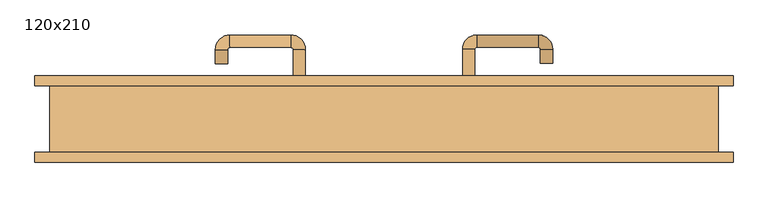
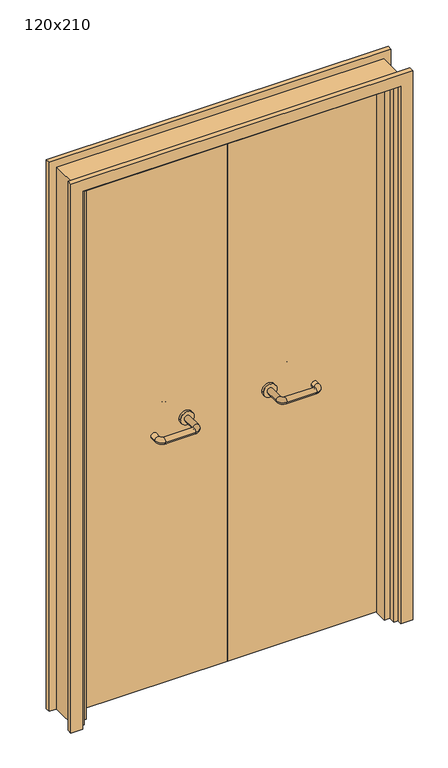
"""IFC4 building model written with IfcOpenShell, lengths in millimetres: door geometry, 120x210."""

from ifc_helpers import new_model, si_unit, point, frame, frame_2d, origin, place, context, project, spatial, polyline, circle_curve, ellipse_curve, trimmed, segment, composite_curve, outline, extrude, faceted_brep, source, transform, mapped, element, save
from ifc_brep_helpers import plane_surface, cylinder_surface, revolved_surface, advanced_brep


def door_120x210_f1532ac5(model_context):
    return source(origin(), model_context, "Body", "SolidModel", [
        faceted_brep([(-547.0, 13.0, 0.0), (-547.0, -35.0, 0.0), (-568.0, -35.0, 0.0), (-568.0, 13.0, 0.0), (-547.0, 13.0, 2047.0), (-547.0, -35.0, 2047.0), (-568.0, -35.0, 2068.0), (-568.0, 13.0, 2068.0), (547.0, 13.0, 0.0), (568.0, 13.0, 0.0), (568.0, -35.0, 0.0), (547.0, -35.0, 0.0), (547.0, 13.0, 2047.0), (568.0, 13.0, 2068.0), (568.0, -35.0, 2068.0), (547.0, -35.0, 2047.0)], [[[0, 1, 2, 3]], [[1, 0, 4, 5]], [[2, 1, 5, 6]], [[3, 2, 6, 7]], [[0, 3, 7, 4]], [[8, 9, 10, 11]], [[12, 13, 9, 8]], [[13, 14, 10, 9]], [[14, 15, 11, 10]], [[15, 12, 8, 11]], [[5, 4, 12, 15]], [[6, 5, 15, 14]], [[7, 6, 14, 13]], [[4, 7, 13, 12]]]),
        extrude(outline(polyline([(2127.0, 627.0), (2127.0, -627.0), (0.0, -627.0), (0.0, -583.0), (2083.0, -583.0), (2083.0, 583.0), (0.0, 583.0), (0.0, 627.0), (2127.0, 627.0)])), frame((0.0, 60.0, 0.0), z_axis=(0.0, 1.0, 0.0), x_axis=(0.0, 0.0, 1.0)), (0.0, 0.0, 1.0), 18.0),
        extrude(outline(polyline([(2127.0, -627.0), (0.0, -627.0), (0.0, -583.0), (2083.0, -583.0), (2083.0, 583.0), (0.0, 583.0), (0.0, 627.0), (2127.0, 627.0), (2127.0, -627.0)])), frame((0.0, -78.0, 0.0), z_axis=(0.0, 1.0, 0.0), x_axis=(0.0, 0.0, 1.0)), (0.0, 0.0, 1.0), 18.0),
        extrude(outline(polyline([(2100.0, -600.0), (0.0, -600.0), (0.0, -568.0), (2068.0, -568.0), (2068.0, 568.0), (0.0, 568.0), (0.0, 600.0), (2100.0, 600.0), (2100.0, -600.0)])), frame((0.0, -60.0, 0.0), z_axis=(0.0, 1.0, 0.0), x_axis=(0.0, 0.0, 1.0)), (0.0, 0.0, 1.0), 120.0),
        extrude(outline(polyline([(1.0739506, 16.0), (-565.0, 16.0), (-565.0, 60.0), (1.0739506, 60.0), (1.0739506, 16.0)])), frame((0.0, 0.0, 1.753223), z_axis=(0.0, 0.0, 1.0), x_axis=(1.0, 0.0, 0.0)), (0.0, 0.0, 1.0), 2057.246777),
        extrude(outline(polyline([(565.0, 16.0), (1.0739506, 16.0), (1.0739506, 60.0), (565.0, 60.0), (565.0, 16.0)])), frame((0.0, 0.0, 1.753223), z_axis=(0.0, 0.0, 1.0), x_axis=(1.0, 0.0, 0.0)), (0.0, 0.0, 1.0), 2066.246777),
        extrude(outline(polyline([(2100.0, -600.0), (0.0, -600.0), (0.0, -568.0), (2068.0, -568.0), (2068.0, 568.0), (0.0, 568.0), (0.0, 600.0), (2100.0, 600.0), (2100.0, -600.0)])), frame((0.0, -60.0, 0.0), z_axis=(0.0, 1.0, 0.0), x_axis=(0.0, 0.0, 1.0)), (0.0, 0.0, 1.0), 120.0),
        advanced_brep(
        [(140.99898, 6.0, 1003.0), (162.99898, 6.0, 1003.0), (140.99898, -49.3525369, 1003.0), (162.99898, -49.3525369, 1003.0), (166.99898, -53.3525369, 1003.0), (166.99898, -75.3525369, 1003.0), (276.99898, -75.3525369, 1003.0), (276.99898, -53.3525369, 1003.0), (280.99898, -49.3525369, 1003.0), (302.99898, -49.3525369, 1003.0), (302.99898, -32.0, 1003.0), (280.99898, -32.0, 1003.0)],
        [
            (0, 1, circle_curve(frame((151.99898, 6.0, 1003.0), z_axis=(0.0, 1.0, 0.0), x_axis=(1.0, 0.0, 0.0)), 11.0)),
            (1, 0, circle_curve(frame((151.99898, 6.0, 1003.0), z_axis=(0.0, 1.0, 0.0), x_axis=(1.0, 0.0, 0.0)), 11.0)),
            (0, 2),
            (2, 3, circle_curve(frame((151.99898, -49.3525369, 1003.0), z_axis=(0.0, 1.0, 0.0), x_axis=(1.0, 0.0, 0.0)), 11.0)),
            (3, 1),
            (3, 2, circle_curve(frame((151.99898, -49.3525369, 1003.0), z_axis=(0.0, 1.0, 0.0), x_axis=(1.0, 0.0, 0.0)), 11.0)),
            (4, 3, circle_curve(frame((166.99898, -49.3525369, 1003.0), z_axis=(0.0, 0.0, -1.0), x_axis=(-1.0, 0.0, 0.0)), 4.0)),
            (2, 5, circle_curve(frame((166.99898, -49.3525369, 1003.0), z_axis=(0.0, 0.0, 1.0), x_axis=(-1.0, 0.0, 0.0)), 26.0)),
            (5, 4, circle_curve(frame((166.99898, -64.3525369, 1003.0), z_axis=(-1.0, 0.0, 0.0), x_axis=(0.0, 1.0, 0.0)), 11.0)),
            (4, 5, circle_curve(frame((166.99898, -64.3525369, 1003.0), z_axis=(-1.0, 0.0, 0.0), x_axis=(0.0, 1.0, 0.0)), 11.0)),
            (5, 6),
            (6, 7, circle_curve(frame((276.99898, -64.3525369, 1003.0), z_axis=(-1.0, 0.0, 0.0), x_axis=(0.0, 1.0, 0.0)), 11.0)),
            (7, 4),
            (7, 6, circle_curve(frame((276.99898, -64.3525369, 1003.0), z_axis=(-1.0, 0.0, 0.0), x_axis=(0.0, 1.0, 0.0)), 11.0)),
            (8, 7, circle_curve(frame((276.99898, -49.3525369, 1003.0), z_axis=(0.0, 0.0, -1.0), x_axis=(0.0, -1.0, 0.0)), 4.0)),
            (6, 9, circle_curve(frame((276.99898, -49.3525369, 1003.0), z_axis=(0.0, 0.0, 1.0), x_axis=(0.0, -1.0, 0.0)), 26.0)),
            (9, 8, circle_curve(frame((291.99898, -49.3525369, 1003.0), z_axis=(0.0, -1.0, 0.0), x_axis=(-1.0, 0.0, 0.0)), 11.0)),
            (8, 9, circle_curve(frame((291.99898, -49.3525369, 1003.0), z_axis=(0.0, -1.0, 0.0), x_axis=(-1.0, 0.0, 0.0)), 11.0)),
            (10, 11, circle_curve(frame((291.99898, -32.0, 1003.0), z_axis=(0.0, 1.0, 0.0), x_axis=(-1.0, 0.0, 0.0)), 11.0)),
            (11, 10, circle_curve(frame((291.99898, -32.0, 1003.0), z_axis=(0.0, 1.0, 0.0), x_axis=(-1.0, 0.0, 0.0)), 11.0)),
            (9, 10),
            (11, 8),
        ],
        [
            plane_surface(frame((140.99898, 6.0, 1003.0), z_axis=(0.0, 1.0, 0.0), x_axis=(0.0, 0.0, -1.0))),
            cylinder_surface(frame((151.99898, 6.0, 1003.0), z_axis=(0.0, 1.0, 0.0), x_axis=(1.0, 0.0, 0.0)), 11.0),
            revolved_surface(trimmed(ellipse_curve(frame((151.99898, -49.3525369, 1003.0), z_axis=(0.0, 1.0, 0.0), x_axis=(1.0, 0.0, 0.0)), 11.0, 11.0), [point((140.99898, -49.3525369, 1003.0))], [point((162.99898, -49.3525369, 1003.0))], True, "CARTESIAN"), (166.99898, -49.3525369, 1003.0), (0.0, 0.0, 1.0)),
            revolved_surface(trimmed(ellipse_curve(frame((151.99898, -49.3525369, 1003.0), z_axis=(0.0, 1.0, 0.0), x_axis=(1.0, 0.0, 0.0)), 11.0, 11.0), [point((162.99898, -49.3525369, 1003.0))], [point((140.99898, -49.3525369, 1003.0))], True, "CARTESIAN"), (166.99898, -49.3525369, 1003.0), (0.0, 0.0, 1.0)),
            cylinder_surface(frame((166.99898, -64.3525369, 1003.0), z_axis=(-1.0, 0.0, 0.0), x_axis=(0.0, 1.0, 0.0)), 11.0),
            revolved_surface(trimmed(ellipse_curve(frame((276.99898, -64.3525369, 1003.0), z_axis=(-1.0, 0.0, 0.0), x_axis=(0.0, 1.0, 0.0)), 11.0, 11.0), [point((276.99898, -75.3525369, 1003.0))], [point((276.99898, -53.3525369, 1003.0))], True, "CARTESIAN"), (276.99898, -49.3525369, 1003.0), (0.0, 0.0, 1.0)),
            revolved_surface(trimmed(ellipse_curve(frame((276.99898, -64.3525369, 1003.0), z_axis=(-1.0, 0.0, 0.0), x_axis=(0.0, 1.0, 0.0)), 11.0, 11.0), [point((276.99898, -53.3525369, 1003.0))], [point((276.99898, -75.3525369, 1003.0))], True, "CARTESIAN"), (276.99898, -49.3525369, 1003.0), (0.0, 0.0, 1.0)),
            plane_surface(frame((280.99898, -32.0, 1003.0), z_axis=(0.0, 1.0, 0.0), x_axis=(0.0, 0.0, 1.0))),
            cylinder_surface(frame((291.99898, -49.3525369, 1003.0), z_axis=(0.0, -1.0, 0.0), x_axis=(-1.0, 0.0, 0.0)), 11.0),
        ],
        [
            (0, [[1, 2]]),
            (1, [[-1, 3, 4, 5]]),
            (1, [[-2, -5, 6, -3]]),
            (2, [[7, -4, 8, 9]]),
            (3, [[-8, -6, -7, 10]]),
            (4, [[-9, 11, 12, 13]]),
            (4, [[-10, -13, 14, -11]]),
            (5, [[15, -12, 16, 17]]),
            (6, [[-16, -14, -15, 18]]),
            (7, [[19, 20]]),
            (8, [[-17, 21, -20, 22]]),
            (8, [[-18, -22, -19, -21]]),
        ],
    ),
        extrude(outline(composite_curve([segment(trimmed(circle_curve(frame_2d((1003.0, 151.99898)), 25.0), [point((1003.0, 126.99898))], [point((1003.0, 176.99898))], False, "CARTESIAN"), True, "CONTINUOUS"), segment(trimmed(circle_curve(frame_2d((1003.0, 151.99898)), 25.0), [point((1003.0, 176.99898))], [point((1003.0, 126.99898))], False, "CARTESIAN"), True, "CONTINUOUS")], self_intersect=False)), frame((0.0, 6.0, 0.0), z_axis=(0.0, 1.0, 0.0), x_axis=(0.0, 0.0, 1.0)), (0.0, 0.0, 1.0), 10.0),
        advanced_brep(
        [(162.99898, 70.0, 1003.0), (140.99898, 70.0, 1003.0), (162.99898, 125.0, 1003.0), (140.99898, 125.0, 1003.0), (166.99898, 151.0, 1003.0), (166.99898, 129.0, 1003.0), (276.99898, 129.0, 1003.0), (276.99898, 151.0, 1003.0), (302.99898, 125.0, 1003.0), (280.99898, 125.0, 1003.0), (280.99898, 100.0, 1003.0), (302.99898, 100.0, 1003.0)],
        [
            (0, 1, circle_curve(frame((151.99898, 70.0, 1003.0), z_axis=(0.0, -1.0, 0.0), x_axis=(-1.0, 0.0, 0.0)), 11.0)),
            (1, 0, circle_curve(frame((151.99898, 70.0, 1003.0), z_axis=(0.0, -1.0, 0.0), x_axis=(-1.0, 0.0, 0.0)), 11.0)),
            (0, 2),
            (2, 3, circle_curve(frame((151.99898, 125.0, 1003.0), z_axis=(0.0, -1.0, 0.0), x_axis=(-1.0, 0.0, 0.0)), 11.0)),
            (3, 1),
            (3, 2, circle_curve(frame((151.99898, 125.0, 1003.0), z_axis=(0.0, -1.0, 0.0), x_axis=(-1.0, 0.0, 0.0)), 11.0)),
            (4, 3, circle_curve(frame((166.99898, 125.0, 1003.0), z_axis=(0.0, 0.0, 1.0), x_axis=(-1.0, 0.0, 0.0)), 26.0)),
            (2, 5, circle_curve(frame((166.99898, 125.0, 1003.0), z_axis=(0.0, 0.0, -1.0), x_axis=(-1.0, 0.0, 0.0)), 4.0)),
            (5, 4, circle_curve(frame((166.99898, 140.0, 1003.0), z_axis=(-1.0, 0.0, 0.0), x_axis=(0.0, 1.0, 0.0)), 11.0)),
            (4, 5, circle_curve(frame((166.99898, 140.0, 1003.0), z_axis=(-1.0, 0.0, 0.0), x_axis=(0.0, 1.0, 0.0)), 11.0)),
            (5, 6),
            (6, 7, circle_curve(frame((276.99898, 140.0, 1003.0), z_axis=(-1.0, 0.0, 0.0), x_axis=(0.0, 1.0, 0.0)), 11.0)),
            (7, 4),
            (7, 6, circle_curve(frame((276.99898, 140.0, 1003.0), z_axis=(-1.0, 0.0, 0.0), x_axis=(0.0, 1.0, 0.0)), 11.0)),
            (8, 7, circle_curve(frame((276.99898, 125.0, 1003.0), z_axis=(0.0, 0.0, 1.0), x_axis=(0.0, 1.0, 0.0)), 26.0)),
            (6, 9, circle_curve(frame((276.99898, 125.0, 1003.0), z_axis=(0.0, 0.0, -1.0), x_axis=(0.0, 1.0, 0.0)), 4.0)),
            (9, 8, circle_curve(frame((291.99898, 125.0, 1003.0), z_axis=(0.0, 1.0, 0.0), x_axis=(1.0, 0.0, 0.0)), 11.0)),
            (8, 9, circle_curve(frame((291.99898, 125.0, 1003.0), z_axis=(0.0, 1.0, 0.0), x_axis=(1.0, 0.0, 0.0)), 11.0)),
            (10, 11, circle_curve(frame((291.99898, 100.0, 1003.0), z_axis=(0.0, -1.0, 0.0), x_axis=(1.0, 0.0, 0.0)), 11.0)),
            (11, 10, circle_curve(frame((291.99898, 100.0, 1003.0), z_axis=(0.0, -1.0, 0.0), x_axis=(1.0, 0.0, 0.0)), 11.0)),
            (9, 10),
            (11, 8),
        ],
        [
            plane_surface(frame((140.99898, 70.0, 1003.0), z_axis=(0.0, -1.0, 0.0), x_axis=(0.0, 0.0, 1.0))),
            cylinder_surface(frame((151.99898, 70.0, 1003.0), z_axis=(0.0, -1.0, 0.0), x_axis=(-1.0, 0.0, 0.0)), 11.0),
            revolved_surface(trimmed(ellipse_curve(frame((151.99898, 125.0, 1003.0), z_axis=(0.0, -1.0, 0.0), x_axis=(-1.0, 0.0, 0.0)), 11.0, 11.0), [point((162.99898, 125.0, 1003.0))], [point((140.99898, 125.0, 1003.0))], True, "CARTESIAN"), (166.99898, 125.0, 1003.0), (0.0, 0.0, -1.0)),
            revolved_surface(trimmed(ellipse_curve(frame((151.99898, 125.0, 1003.0), z_axis=(0.0, -1.0, 0.0), x_axis=(-1.0, 0.0, 0.0)), 11.0, 11.0), [point((140.99898, 125.0, 1003.0))], [point((162.99898, 125.0, 1003.0))], True, "CARTESIAN"), (166.99898, 125.0, 1003.0), (0.0, 0.0, -1.0)),
            cylinder_surface(frame((166.99898, 140.0, 1003.0), z_axis=(-1.0, 0.0, 0.0), x_axis=(0.0, 1.0, 0.0)), 11.0),
            revolved_surface(trimmed(ellipse_curve(frame((276.99898, 140.0, 1003.0), z_axis=(-1.0, 0.0, 0.0), x_axis=(0.0, 1.0, 0.0)), 11.0, 11.0), [point((276.99898, 129.0, 1003.0))], [point((276.99898, 151.0, 1003.0))], True, "CARTESIAN"), (276.99898, 125.0, 1003.0), (0.0, 0.0, -1.0)),
            revolved_surface(trimmed(ellipse_curve(frame((276.99898, 140.0, 1003.0), z_axis=(-1.0, 0.0, 0.0), x_axis=(0.0, 1.0, 0.0)), 11.0, 11.0), [point((276.99898, 151.0, 1003.0))], [point((276.99898, 129.0, 1003.0))], True, "CARTESIAN"), (276.99898, 125.0, 1003.0), (0.0, 0.0, -1.0)),
            plane_surface(frame((280.99898, 100.0, 1003.0), z_axis=(0.0, -1.0, 0.0), x_axis=(0.0, 0.0, -1.0))),
            cylinder_surface(frame((291.99898, 125.0, 1003.0), z_axis=(0.0, 1.0, 0.0), x_axis=(1.0, 0.0, 0.0)), 11.0),
        ],
        [
            (0, [[1, 2]]),
            (1, [[-1, 3, 4, 5]]),
            (1, [[-2, -5, 6, -3]]),
            (2, [[7, -4, 8, 9]]),
            (3, [[-8, -6, -7, 10]]),
            (4, [[-9, 11, 12, 13]]),
            (4, [[-10, -13, 14, -11]]),
            (5, [[15, -12, 16, 17]]),
            (6, [[-16, -14, -15, 18]]),
            (7, [[19, 20]]),
            (8, [[-17, 21, -20, 22]]),
            (8, [[-18, -22, -19, -21]]),
        ],
    ),
        extrude(outline(composite_curve([segment(trimmed(circle_curve(frame_2d((1003.0, 151.99898)), 25.0), [point((1003.0, 176.99898))], [point((1003.0, 126.99898))], False, "CARTESIAN"), True, "CONTINUOUS"), segment(trimmed(circle_curve(frame_2d((1003.0, 151.99898)), 25.0), [point((1003.0, 126.99898))], [point((1003.0, 176.99898))], False, "CARTESIAN"), True, "CONTINUOUS")], self_intersect=False)), frame((0.0, 60.0, 0.0), z_axis=(0.0, 1.0, 0.0), x_axis=(0.0, 0.0, 1.0)), (0.0, 0.0, 1.0), 10.0),
        advanced_brep(
        [(-162.99898, 5.6886121, 1003.0), (-140.99898, 5.6886121, 1003.0), (-162.99898, -49.7220447, 1003.0), (-140.99898, -49.7220447, 1003.0), (-166.99898, -75.7220447, 1003.0), (-166.99898, -53.7220447, 1003.0), (-276.99898, -53.7220447, 1003.0), (-276.99898, -75.7220447, 1003.0), (-302.99898, -49.7220447, 1003.0), (-280.99898, -49.7220447, 1003.0), (-280.99898, -24.7220447, 1003.0), (-302.99898, -24.7220447, 1003.0)],
        [
            (0, 1, circle_curve(frame((-151.99898, 5.6886121, 1003.0), z_axis=(0.0, 1.0, 0.0), x_axis=(1.0, 0.0, 0.0)), 11.0)),
            (1, 0, circle_curve(frame((-151.99898, 5.6886121, 1003.0), z_axis=(0.0, 1.0, 0.0), x_axis=(1.0, 0.0, 0.0)), 11.0)),
            (0, 2),
            (2, 3, circle_curve(frame((-151.99898, -49.7220447, 1003.0), z_axis=(0.0, 1.0, 0.0), x_axis=(1.0, 0.0, 0.0)), 11.0)),
            (3, 1),
            (3, 2, circle_curve(frame((-151.99898, -49.7220447, 1003.0), z_axis=(0.0, 1.0, 0.0), x_axis=(1.0, 0.0, 0.0)), 11.0)),
            (4, 3, circle_curve(frame((-166.99898, -49.7220447, 1003.0), z_axis=(0.0, 0.0, 1.0), x_axis=(1.0, 0.0, 0.0)), 26.0)),
            (2, 5, circle_curve(frame((-166.99898, -49.7220447, 1003.0), z_axis=(0.0, 0.0, -1.0), x_axis=(1.0, 0.0, 0.0)), 4.0)),
            (5, 4, circle_curve(frame((-166.99898, -64.7220447, 1003.0), z_axis=(1.0, 0.0, 0.0), x_axis=(0.0, -1.0, 0.0)), 11.0)),
            (4, 5, circle_curve(frame((-166.99898, -64.7220447, 1003.0), z_axis=(1.0, 0.0, 0.0), x_axis=(0.0, -1.0, 0.0)), 11.0)),
            (5, 6),
            (6, 7, circle_curve(frame((-276.99898, -64.7220447, 1003.0), z_axis=(1.0, 0.0, 0.0), x_axis=(0.0, -1.0, 0.0)), 11.0)),
            (7, 4),
            (7, 6, circle_curve(frame((-276.99898, -64.7220447, 1003.0), z_axis=(1.0, 0.0, 0.0), x_axis=(0.0, -1.0, 0.0)), 11.0)),
            (8, 7, circle_curve(frame((-276.99898, -49.7220447, 1003.0), z_axis=(0.0, 0.0, 1.0), x_axis=(0.0, -1.0, 0.0)), 26.0)),
            (6, 9, circle_curve(frame((-276.99898, -49.7220447, 1003.0), z_axis=(0.0, 0.0, -1.0), x_axis=(0.0, -1.0, 0.0)), 4.0)),
            (9, 8, circle_curve(frame((-291.99898, -49.7220447, 1003.0), z_axis=(0.0, -1.0, 0.0), x_axis=(-1.0, 0.0, 0.0)), 11.0)),
            (8, 9, circle_curve(frame((-291.99898, -49.7220447, 1003.0), z_axis=(0.0, -1.0, 0.0), x_axis=(-1.0, 0.0, 0.0)), 11.0)),
            (10, 11, circle_curve(frame((-291.99898, -24.7220447, 1003.0), z_axis=(0.0, 1.0, 0.0), x_axis=(-1.0, 0.0, 0.0)), 11.0)),
            (11, 10, circle_curve(frame((-291.99898, -24.7220447, 1003.0), z_axis=(0.0, 1.0, 0.0), x_axis=(-1.0, 0.0, 0.0)), 11.0)),
            (9, 10),
            (11, 8),
        ],
        [
            plane_surface(frame((-162.99898, 5.6886121, 1003.0), z_axis=(0.0, 1.0, 0.0), x_axis=(0.0, 0.0, -1.0))),
            cylinder_surface(frame((-151.99898, 5.6886121, 1003.0), z_axis=(0.0, 1.0, 0.0), x_axis=(1.0, 0.0, 0.0)), 11.0),
            revolved_surface(trimmed(ellipse_curve(frame((-151.99898, -49.7220447, 1003.0), z_axis=(0.0, 1.0, 0.0), x_axis=(1.0, 0.0, 0.0)), 11.0, 11.0), [point((-162.99898, -49.7220447, 1003.0))], [point((-140.99898, -49.7220447, 1003.0))], True, "CARTESIAN"), (-166.99898, -49.7220447, 1003.0), (0.0, 0.0, -1.0)),
            revolved_surface(trimmed(ellipse_curve(frame((-151.99898, -49.7220447, 1003.0), z_axis=(0.0, 1.0, 0.0), x_axis=(1.0, 0.0, 0.0)), 11.0, 11.0), [point((-140.99898, -49.7220447, 1003.0))], [point((-162.99898, -49.7220447, 1003.0))], True, "CARTESIAN"), (-166.99898, -49.7220447, 1003.0), (0.0, 0.0, -1.0)),
            cylinder_surface(frame((-166.99898, -64.7220447, 1003.0), z_axis=(1.0, 0.0, 0.0), x_axis=(0.0, -1.0, 0.0)), 11.0),
            revolved_surface(trimmed(ellipse_curve(frame((-276.99898, -64.7220447, 1003.0), z_axis=(1.0, 0.0, 0.0), x_axis=(0.0, -1.0, 0.0)), 11.0, 11.0), [point((-276.99898, -53.7220447, 1003.0))], [point((-276.99898, -75.7220447, 1003.0))], True, "CARTESIAN"), (-276.99898, -49.7220447, 1003.0), (0.0, 0.0, -1.0)),
            revolved_surface(trimmed(ellipse_curve(frame((-276.99898, -64.7220447, 1003.0), z_axis=(1.0, 0.0, 0.0), x_axis=(0.0, -1.0, 0.0)), 11.0, 11.0), [point((-276.99898, -75.7220447, 1003.0))], [point((-276.99898, -53.7220447, 1003.0))], True, "CARTESIAN"), (-276.99898, -49.7220447, 1003.0), (0.0, 0.0, -1.0)),
            plane_surface(frame((-302.99898, -24.7220447, 1003.0), z_axis=(0.0, 1.0, 0.0), x_axis=(0.0, 0.0, 1.0))),
            cylinder_surface(frame((-291.99898, -49.7220447, 1003.0), z_axis=(0.0, -1.0, 0.0), x_axis=(-1.0, 0.0, 0.0)), 11.0),
        ],
        [
            (0, [[1, 2]]),
            (1, [[-1, 3, 4, 5]]),
            (1, [[-2, -5, 6, -3]]),
            (2, [[7, -4, 8, 9]]),
            (3, [[-8, -6, -7, 10]]),
            (4, [[-9, 11, 12, 13]]),
            (4, [[-10, -13, 14, -11]]),
            (5, [[15, -12, 16, 17]]),
            (6, [[-16, -14, -15, 18]]),
            (7, [[19, 20]]),
            (8, [[-17, 21, -20, 22]]),
            (8, [[-18, -22, -19, -21]]),
        ],
    ),
        extrude(outline(composite_curve([segment(trimmed(circle_curve(frame_2d((1003.0, -151.99898)), 25.0), [point((1003.0, -176.99898))], [point((1003.0, -126.99898))], False, "CARTESIAN"), True, "CONTINUOUS"), segment(trimmed(circle_curve(frame_2d((1003.0, -151.99898)), 25.0), [point((1003.0, -126.99898))], [point((1003.0, -176.99898))], False, "CARTESIAN"), True, "CONTINUOUS")], self_intersect=False)), frame((0.0, 5.6886121, 0.0), z_axis=(0.0, 1.0, 0.0), x_axis=(0.0, 0.0, 1.0)), (0.0, 0.0, 1.0), 10.3113879),
        advanced_brep(
        [(-140.99898, 69.5143417, 1003.0), (-162.99898, 69.5143417, 1003.0), (-140.99898, 124.6104656, 1003.0), (-162.99898, 124.6104656, 1003.0), (-166.99898, 128.6104656, 1003.0), (-166.99898, 150.6104656, 1003.0), (-276.99898, 150.6104656, 1003.0), (-276.99898, 128.6104656, 1003.0), (-280.99898, 124.6104656, 1003.0), (-302.99898, 124.6104656, 1003.0), (-302.99898, 99.6104656, 1003.0), (-280.99898, 99.6104656, 1003.0)],
        [
            (0, 1, circle_curve(frame((-151.99898, 69.5143417, 1003.0), z_axis=(0.0, -1.0, 0.0), x_axis=(-1.0, 0.0, 0.0)), 11.0)),
            (1, 0, circle_curve(frame((-151.99898, 69.5143417, 1003.0), z_axis=(0.0, -1.0, 0.0), x_axis=(-1.0, 0.0, 0.0)), 11.0)),
            (0, 2),
            (2, 3, circle_curve(frame((-151.99898, 124.6104656, 1003.0), z_axis=(0.0, -1.0, 0.0), x_axis=(-1.0, 0.0, 0.0)), 11.0)),
            (3, 1),
            (3, 2, circle_curve(frame((-151.99898, 124.6104656, 1003.0), z_axis=(0.0, -1.0, 0.0), x_axis=(-1.0, 0.0, 0.0)), 11.0)),
            (4, 3, circle_curve(frame((-166.99898, 124.6104656, 1003.0), z_axis=(0.0, 0.0, -1.0), x_axis=(1.0, 0.0, 0.0)), 4.0)),
            (2, 5, circle_curve(frame((-166.99898, 124.6104656, 1003.0), z_axis=(0.0, 0.0, 1.0), x_axis=(1.0, 0.0, 0.0)), 26.0)),
            (5, 4, circle_curve(frame((-166.99898, 139.6104656, 1003.0), z_axis=(1.0, 0.0, 0.0), x_axis=(0.0, -1.0, 0.0)), 11.0)),
            (4, 5, circle_curve(frame((-166.99898, 139.6104656, 1003.0), z_axis=(1.0, 0.0, 0.0), x_axis=(0.0, -1.0, 0.0)), 11.0)),
            (5, 6),
            (6, 7, circle_curve(frame((-276.99898, 139.6104656, 1003.0), z_axis=(1.0, 0.0, 0.0), x_axis=(0.0, -1.0, 0.0)), 11.0)),
            (7, 4),
            (7, 6, circle_curve(frame((-276.99898, 139.6104656, 1003.0), z_axis=(1.0, 0.0, 0.0), x_axis=(0.0, -1.0, 0.0)), 11.0)),
            (8, 7, circle_curve(frame((-276.99898, 124.6104656, 1003.0), z_axis=(0.0, 0.0, -1.0), x_axis=(0.0, 1.0, 0.0)), 4.0)),
            (6, 9, circle_curve(frame((-276.99898, 124.6104656, 1003.0), z_axis=(0.0, 0.0, 1.0), x_axis=(0.0, 1.0, 0.0)), 26.0)),
            (9, 8, circle_curve(frame((-291.99898, 124.6104656, 1003.0), z_axis=(0.0, 1.0, 0.0), x_axis=(1.0, 0.0, 0.0)), 11.0)),
            (8, 9, circle_curve(frame((-291.99898, 124.6104656, 1003.0), z_axis=(0.0, 1.0, 0.0), x_axis=(1.0, 0.0, 0.0)), 11.0)),
            (10, 11, circle_curve(frame((-291.99898, 99.6104656, 1003.0), z_axis=(0.0, -1.0, 0.0), x_axis=(1.0, 0.0, 0.0)), 11.0)),
            (11, 10, circle_curve(frame((-291.99898, 99.6104656, 1003.0), z_axis=(0.0, -1.0, 0.0), x_axis=(1.0, 0.0, 0.0)), 11.0)),
            (9, 10),
            (11, 8),
        ],
        [
            plane_surface(frame((-162.99898, 69.5143417, 1003.0), z_axis=(0.0, -1.0, 0.0), x_axis=(0.0, 0.0, 1.0))),
            cylinder_surface(frame((-151.99898, 69.5143417, 1003.0), z_axis=(0.0, -1.0, 0.0), x_axis=(-1.0, 0.0, 0.0)), 11.0),
            revolved_surface(trimmed(ellipse_curve(frame((-151.99898, 124.6104656, 1003.0), z_axis=(0.0, -1.0, 0.0), x_axis=(-1.0, 0.0, 0.0)), 11.0, 11.0), [point((-140.99898, 124.6104656, 1003.0))], [point((-162.99898, 124.6104656, 1003.0))], True, "CARTESIAN"), (-166.99898, 124.6104656, 1003.0), (0.0, 0.0, 1.0)),
            revolved_surface(trimmed(ellipse_curve(frame((-151.99898, 124.6104656, 1003.0), z_axis=(0.0, -1.0, 0.0), x_axis=(-1.0, 0.0, 0.0)), 11.0, 11.0), [point((-162.99898, 124.6104656, 1003.0))], [point((-140.99898, 124.6104656, 1003.0))], True, "CARTESIAN"), (-166.99898, 124.6104656, 1003.0), (0.0, 0.0, 1.0)),
            cylinder_surface(frame((-166.99898, 139.6104656, 1003.0), z_axis=(1.0, 0.0, 0.0), x_axis=(0.0, -1.0, 0.0)), 11.0),
            revolved_surface(trimmed(ellipse_curve(frame((-276.99898, 139.6104656, 1003.0), z_axis=(1.0, 0.0, 0.0), x_axis=(0.0, -1.0, 0.0)), 11.0, 11.0), [point((-276.99898, 150.6104656, 1003.0))], [point((-276.99898, 128.6104656, 1003.0))], True, "CARTESIAN"), (-276.99898, 124.6104656, 1003.0), (0.0, 0.0, 1.0)),
            revolved_surface(trimmed(ellipse_curve(frame((-276.99898, 139.6104656, 1003.0), z_axis=(1.0, 0.0, 0.0), x_axis=(0.0, -1.0, 0.0)), 11.0, 11.0), [point((-276.99898, 128.6104656, 1003.0))], [point((-276.99898, 150.6104656, 1003.0))], True, "CARTESIAN"), (-276.99898, 124.6104656, 1003.0), (0.0, 0.0, 1.0)),
            plane_surface(frame((-302.99898, 99.6104656, 1003.0), z_axis=(0.0, -1.0, 0.0), x_axis=(0.0, 0.0, -1.0))),
            cylinder_surface(frame((-291.99898, 124.6104656, 1003.0), z_axis=(0.0, 1.0, 0.0), x_axis=(1.0, 0.0, 0.0)), 11.0),
        ],
        [
            (0, [[1, 2]]),
            (1, [[-1, 3, 4, 5]]),
            (1, [[-2, -5, 6, -3]]),
            (2, [[7, -4, 8, 9]]),
            (3, [[-8, -6, -7, 10]]),
            (4, [[-9, 11, 12, 13]]),
            (4, [[-10, -13, 14, -11]]),
            (5, [[15, -12, 16, 17]]),
            (6, [[-16, -14, -15, 18]]),
            (7, [[19, 20]]),
            (8, [[-17, 21, -20, 22]]),
            (8, [[-18, -22, -19, -21]]),
        ],
    ),
        extrude(outline(composite_curve([segment(trimmed(circle_curve(frame_2d((1003.0, -151.99898)), 25.0), [point((1003.0, -126.99898))], [point((1003.0, -176.99898))], False, "CARTESIAN"), True, "CONTINUOUS"), segment(trimmed(circle_curve(frame_2d((1003.0, -151.99898)), 25.0), [point((1003.0, -176.99898))], [point((1003.0, -126.99898))], False, "CARTESIAN"), True, "CONTINUOUS")], self_intersect=False)), frame((0.0, 60.0, 0.0), z_axis=(0.0, 1.0, 0.0), x_axis=(0.0, 0.0, 1.0)), (0.0, 0.0, 1.0), 9.5143417),
    ])


if __name__ == "__main__":
    model = new_model("IFC4")
    model_context = context("Model", 3, world=origin())
    ifc_project = project(units=[si_unit("LENGTHUNIT", "METRE", prefix="MILLI")], contexts=[model_context])
    site = spatial("IfcSite", under=ifc_project)
    building = spatial("IfcBuilding", under=site)
    placement = place(None, origin())
    door_120x210_shape = door_120x210_f1532ac5(model_context)
    element("IfcDoor", 1, ObjectType="120x210", at=placement, inside=building, context=model_context, shape_type="MappedRepresentation", body=[
        mapped(door_120x210_shape, transform((0.0, 0.0, 0.0), x_axis=(1.0, 0.0, 0.0), y_axis=(0.0, 1.0, 0.0), z_axis=(0.0, 0.0, 1.0))),
    ])
    save(model, "model.ifc")
